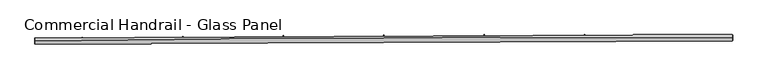
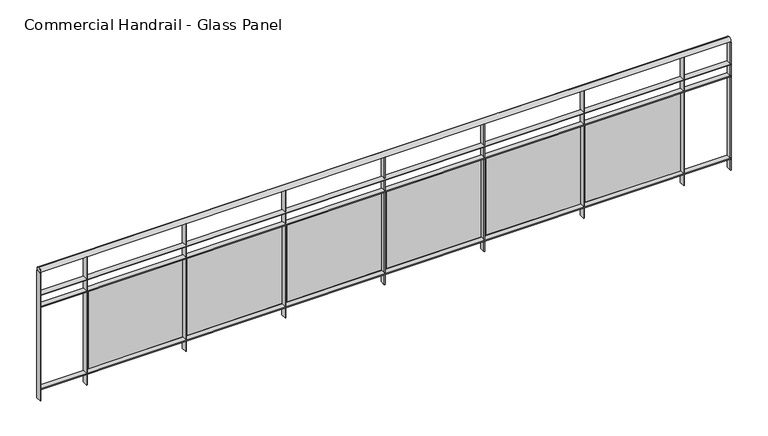
"""IFC4 building model written with IfcOpenShell, lengths in millimetres: railing geometry, Commercial Handrail - Glass Panel."""

from ifc_helpers import new_model, si_unit, point, frame, origin, place, context, project, spatial, polyline, circle_curve, ellipse_curve, trimmed, outline, extrude, source, transform, mapped, element, save
from ifc_brep_helpers import plane_surface, cylinder_surface, revolved_surface, advanced_brep


def commercial_handrail_glass_panel_155662b4(model_context):
    return source(origin(), model_context, "Body", "SolidModel", [
        advanced_brep(
        [(99695.5207842, -31501.488128, 9482.5), (105244.6880932, -31476.3541341, 9482.5), (105244.6880932, -31476.3541341, 9517.5), (99695.5207842, -31501.488128, 9517.5)],
        [
            (0, 1, circle_curve(frame((103958.1605732, -360026.9365691, 9482.5), z_axis=(0.0, 0.0, -1.0), x_axis=(0.003915736953513462, 0.9999923334726676, 0.0)), 328553.1012963)),
            (1, 2, ellipse_curve(frame((105244.6880932, -31476.3541341, 9500.0), z_axis=(-0.9999923334726678, 0.003915736953507025, 0.0), x_axis=(0.003915736953507024, 0.9999923334726676, 0.0)), 25.0, 17.5)),
            (2, 3, circle_curve(frame((103958.1605732, -360026.9365691, 9517.5), z_axis=(0.0, 0.0, 1.0), x_axis=(0.003915736953513462, 0.9999923334726676, 0.0)), 328553.1012963)),
            (3, 0, ellipse_curve(frame((99695.5207842, -31501.488128, 9500.0), z_axis=(0.9999158344417998, 0.012973975202676357, 0.0), x_axis=(-0.012973975202676354, 0.9999158344417995, 0.0)), 25.0, 17.5)),
            (2, 1, ellipse_curve(frame((105244.6880932, -31476.3541341, 9500.0), z_axis=(-0.9999923334726678, 0.003915736953507025, 0.0), x_axis=(0.003915736953507024, 0.9999923334726676, 0.0)), 25.0, 17.5)),
            (0, 3, ellipse_curve(frame((99695.5207842, -31501.488128, 9500.0), z_axis=(0.9999158344417998, 0.012973975202676357, 0.0), x_axis=(-0.012973975202676354, 0.9999158344417995, 0.0)), 25.0, 17.5)),
        ],
        [
            revolved_surface(trimmed(ellipse_curve(frame((105244.6880932, -31476.3541341, 9500.0), z_axis=(0.9999923334726676, -0.003915736953513463, 0.0), x_axis=(0.0, 0.0, -1.0)), 17.5, 25.0), [point((105244.6880932, -31476.3541341, 9517.5))], [point((105244.6880932, -31476.3541341, 9482.5))], True, "CARTESIAN"), (103958.1605732, -360026.9365691, 9500.0), (0.0, 0.0, 1.0)),
            revolved_surface(trimmed(ellipse_curve(frame((105244.6880932, -31476.3541341, 9500.0), z_axis=(0.9999923334726676, -0.003915736953513463, 0.0), x_axis=(0.0, 0.0, -1.0)), 17.5, 25.0), [point((105244.6880932, -31476.3541341, 9482.5))], [point((105244.6880932, -31476.3541341, 9517.5))], True, "CARTESIAN"), (103958.1605732, -360026.9365691, 9500.0), (0.0, 0.0, 1.0)),
            plane_surface(frame((105244.6880932, -31476.3541341, 9500.0), z_axis=(0.9999923334726677, -0.003915736953513464, 0.0), x_axis=(0.003915736953513464, 0.9999923334726677, 0.0))),
            plane_surface(frame((99695.5207842, -31501.488128, 9500.0), z_axis=(-0.9999158344417997, -0.012973975202676328, 0.0), x_axis=(0.012973975202676328, -0.9999158344417997, 0.0))),
        ],
        [
            (0, [[1, 2, 3, 4]]),
            (1, [[-3, 5, -1, 6]]),
            (2, [[-2, -5]]),
            (3, [[-6, -4]]),
        ],
    ),
        advanced_brep(
        [(99695.8126987, -31523.9862342, 9300.0), (105244.5999891, -31498.8539616, 9300.0), (105244.7761972, -31453.8543066, 9300.0), (99695.2288698, -31478.9900217, 9300.0), (99695.8126987, -31523.9862342, 9294.0), (105244.5999891, -31498.8539616, 9294.0), (99695.2288698, -31478.9900217, 9294.0), (105244.7761972, -31453.8543066, 9294.0)],
        [
            (0, 1, circle_curve(frame((103958.1605732, -360026.9365691, 9300.0), z_axis=(0.0, 0.0, -1.0), x_axis=(0.003915736953513462, 0.9999923334726676, 0.0)), 328530.6012963)),
            (1, 2),
            (2, 3, circle_curve(frame((103958.1605732, -360026.9365691, 9300.0), z_axis=(0.0, 0.0, 1.0), x_axis=(0.003915736953513462, 0.9999923334726676, 0.0)), 328575.6012963)),
            (3, 0),
            (4, 5, circle_curve(frame((103958.1605732, -360026.9365691, 9294.0), z_axis=(0.0, 0.0, -1.0), x_axis=(0.003915736953513462, 0.9999923334726676, 0.0)), 328530.6012963)),
            (5, 1),
            (0, 4),
            (6, 7, circle_curve(frame((103958.1605732, -360026.9365691, 9294.0), z_axis=(0.0, 0.0, -1.0), x_axis=(0.003915736953513462, 0.9999923334726676, 0.0)), 328575.6012963)),
            (7, 5),
            (4, 6),
            (2, 7),
            (6, 3),
        ],
        [
            plane_surface(frame((103958.1605732, -360026.9365691, 9300.0), z_axis=(0.0, 0.0, 1.0000000000000002), x_axis=(0.003915736953513463, 0.9999923334726677, 0.0))),
            revolved_surface(polyline([(105244.59998905592, -31498.85396163439, 9300.0), (105244.59998905592, -31498.85396163439, 9294.0)]), (103958.1605732, -360026.9365691, 9300.0), (0.0, 0.0, 1.0)),
            plane_surface(frame((103958.1605732, -360026.9365691, 9294.0), z_axis=(0.0, 0.0, -1.0000000000000002), x_axis=(0.003915736953513463, 0.9999923334726677, 0.0))),
            cylinder_surface(frame((103958.1605732, -360026.9365691, 9300.0), z_axis=(0.0, 0.0, 1.0), x_axis=(0.003915736953513462, 0.9999923334726676, 0.0)), 328575.6012963),
            plane_surface(frame((105244.6880932, -31476.3541341, 9300.0), z_axis=(0.9999923334726677, -0.003915736953513464, 0.0), x_axis=(0.003915736953513464, 0.9999923334726677, 0.0))),
            plane_surface(frame((99695.5207842, -31501.488128, 9300.0), z_axis=(-0.9999158344417997, -0.012973975202676328, 0.0), x_axis=(0.012973975202676328, -0.9999158344417997, 0.0))),
        ],
        [
            (0, [[1, 2, 3, 4]]),
            (1, [[5, 6, -1, 7]]),
            (2, [[8, 9, -5, 10]]),
            (3, [[-3, 11, -8, 12]]),
            (4, [[-2, -6, -9, -11]]),
            (5, [[-12, -10, -7, -4]]),
        ],
    ),
        advanced_brep(
        [(99695.8126987, -31523.9862342, 9200.0), (105244.5999891, -31498.8539616, 9200.0), (105244.7761972, -31453.8543066, 9200.0), (99695.2288698, -31478.9900217, 9200.0), (99695.8126987, -31523.9862342, 9194.0), (105244.5999891, -31498.8539616, 9194.0), (99695.2288698, -31478.9900217, 9194.0), (105244.7761972, -31453.8543066, 9194.0)],
        [
            (0, 1, circle_curve(frame((103958.1605732, -360026.9365691, 9200.0), z_axis=(0.0, 0.0, -1.0), x_axis=(0.003915736953513462, 0.9999923334726676, 0.0)), 328530.6012963)),
            (1, 2),
            (2, 3, circle_curve(frame((103958.1605732, -360026.9365691, 9200.0), z_axis=(0.0, 0.0, 1.0), x_axis=(0.003915736953513462, 0.9999923334726676, 0.0)), 328575.6012963)),
            (3, 0),
            (4, 5, circle_curve(frame((103958.1605732, -360026.9365691, 9194.0), z_axis=(0.0, 0.0, -1.0), x_axis=(0.003915736953513462, 0.9999923334726676, 0.0)), 328530.6012963)),
            (5, 1),
            (0, 4),
            (6, 7, circle_curve(frame((103958.1605732, -360026.9365691, 9194.0), z_axis=(0.0, 0.0, -1.0), x_axis=(0.003915736953513462, 0.9999923334726676, 0.0)), 328575.6012963)),
            (7, 5),
            (4, 6),
            (2, 7),
            (6, 3),
        ],
        [
            plane_surface(frame((103958.1605732, -360026.9365691, 9200.0), z_axis=(0.0, 0.0, 1.0000000000000002), x_axis=(0.003915736953513463, 0.9999923334726677, 0.0))),
            revolved_surface(polyline([(105244.59998905592, -31498.85396163439, 9200.0), (105244.59998905592, -31498.85396163439, 9194.0)]), (103958.1605732, -360026.9365691, 9200.0), (0.0, 0.0, 1.0)),
            plane_surface(frame((103958.1605732, -360026.9365691, 9194.0), z_axis=(0.0, 0.0, -1.0000000000000002), x_axis=(0.003915736953513463, 0.9999923334726677, 0.0))),
            cylinder_surface(frame((103958.1605732, -360026.9365691, 9200.0), z_axis=(0.0, 0.0, 1.0), x_axis=(0.003915736953513462, 0.9999923334726676, 0.0)), 328575.6012963),
            plane_surface(frame((105244.6880932, -31476.3541341, 9200.0), z_axis=(0.9999923334726677, -0.003915736953513464, 0.0), x_axis=(0.003915736953513464, 0.9999923334726677, 0.0))),
            plane_surface(frame((99695.5207842, -31501.488128, 9200.0), z_axis=(-0.9999158344417997, -0.012973975202676328, 0.0), x_axis=(0.012973975202676328, -0.9999158344417997, 0.0))),
        ],
        [
            (0, [[1, 2, 3, 4]]),
            (1, [[5, 6, -1, 7]]),
            (2, [[8, 9, -5, 10]]),
            (3, [[-3, 11, -8, 12]]),
            (4, [[-2, -6, -9, -11]]),
            (5, [[-12, -10, -7, -4]]),
        ],
    ),
        advanced_brep(
        [(99695.8126987, -31523.9862342, 8500.0), (105244.5999891, -31498.8539616, 8500.0), (105244.7761972, -31453.8543066, 8500.0), (99695.2288698, -31478.9900217, 8500.0), (99695.8126987, -31523.9862342, 8494.0), (105244.5999891, -31498.8539616, 8494.0), (99695.2288698, -31478.9900217, 8494.0), (105244.7761972, -31453.8543066, 8494.0)],
        [
            (0, 1, circle_curve(frame((103958.1605732, -360026.9365691, 8500.0), z_axis=(0.0, 0.0, -1.0), x_axis=(0.003915736953513462, 0.9999923334726676, 0.0)), 328530.6012963)),
            (1, 2),
            (2, 3, circle_curve(frame((103958.1605732, -360026.9365691, 8500.0), z_axis=(0.0, 0.0, 1.0), x_axis=(0.003915736953513462, 0.9999923334726676, 0.0)), 328575.6012963)),
            (3, 0),
            (4, 5, circle_curve(frame((103958.1605732, -360026.9365691, 8494.0), z_axis=(0.0, 0.0, -1.0), x_axis=(0.003915736953513462, 0.9999923334726676, 0.0)), 328530.6012963)),
            (5, 1),
            (0, 4),
            (6, 7, circle_curve(frame((103958.1605732, -360026.9365691, 8494.0), z_axis=(0.0, 0.0, -1.0), x_axis=(0.003915736953513462, 0.9999923334726676, 0.0)), 328575.6012963)),
            (7, 5),
            (4, 6),
            (2, 7),
            (6, 3),
        ],
        [
            plane_surface(frame((103958.1605732, -360026.9365691, 8500.0), z_axis=(0.0, 0.0, 1.0000000000000002), x_axis=(0.003915736953513463, 0.9999923334726677, 0.0))),
            revolved_surface(polyline([(105244.59998905592, -31498.85396163439, 8500.0), (105244.59998905592, -31498.85396163439, 8494.0)]), (103958.1605732, -360026.9365691, 8500.0), (0.0, 0.0, 1.0)),
            plane_surface(frame((103958.1605732, -360026.9365691, 8494.0), z_axis=(0.0, 0.0, -1.0000000000000002), x_axis=(0.003915736953513463, 0.9999923334726677, 0.0))),
            cylinder_surface(frame((103958.1605732, -360026.9365691, 8500.0), z_axis=(0.0, 0.0, 1.0), x_axis=(0.003915736953513462, 0.9999923334726676, 0.0)), 328575.6012963),
            plane_surface(frame((105244.6880932, -31476.3541341, 8500.0), z_axis=(0.9999923334726677, -0.003915736953513464, 0.0), x_axis=(0.003915736953513464, 0.9999923334726677, 0.0))),
            plane_surface(frame((99695.5207842, -31501.488128, 8500.0), z_axis=(-0.9999158344417997, -0.012973975202676328, 0.0), x_axis=(0.012973975202676328, -0.9999158344417997, 0.0))),
        ],
        [
            (0, [[1, 2, 3, 4]]),
            (1, [[5, 6, -1, 7]]),
            (2, [[8, 9, -5, 10]]),
            (3, [[-3, 11, -8, 12]]),
            (4, [[-2, -6, -9, -11]]),
            (5, [[-12, -10, -7, -4]]),
        ],
    ),
        extrude(outline(polyline([(100072.870567, -31474.3071506), (100073.4030869, -31519.3039996), (100067.403507, -31519.3750023), (100066.8709872, -31474.3781533), (100072.870567, -31474.3071506)])), frame((0.0, 0.0, 8400.0), z_axis=(0.0, 0.0, 1.0), x_axis=(1.0, 0.0, 0.0)), (0.0, 0.0, 1.0), 1082.1192282),
        extrude(outline(polyline([(100850.1540943, -31494.3164749), (100090.1969245, -31502.3849334), (100090.0695278, -31490.3856097), (100850.0266976, -31482.3171512), (100850.1540943, -31494.3164749)])), frame((0.0, 0.0, 8520.0), z_axis=(0.0, 0.0, 1.0), x_axis=(1.0, 0.0, 0.0)), (0.0, 0.0, 1.0), 660.0),
        extrude(outline(polyline([(100872.8801451, -31465.8207612), (100873.3030999, -31510.8187735), (100867.3033649, -31510.8751675), (100866.8804102, -31465.8771552), (100872.8801451, -31465.8207612)])), frame((0.0, 0.0, 8400.0), z_axis=(0.0, 0.0, 1.0), x_axis=(1.0, 0.0, 0.0)), (0.0, 0.0, 1.0), 1082.1192282),
        extrude(outline(polyline([(101650.1126472, -31487.7226463), (100890.1380842, -31493.940649), (100890.0399052, -31481.9410507), (101650.0144682, -31475.723048), (101650.1126472, -31487.7226463)])), frame((0.0, 0.0, 8520.0), z_axis=(0.0, 0.0, 1.0), x_axis=(1.0, 0.0, 0.0)), (0.0, 0.0, 1.0), 660.0),
        extrude(outline(polyline([(101672.9080153, -31459.2823531), (101673.2214025, -31504.2812619), (101667.221548, -31504.3230468), (101666.9081608, -31459.3241381), (101672.9080153, -31459.2823531)])), frame((0.0, 0.0, 8400.0), z_axis=(0.0, 0.0, 1.0), x_axis=(1.0, 0.0, 0.0)), (0.0, 0.0, 1.0), 1082.1192282),
        extrude(outline(polyline([(102450.0848841, -31483.0766692), (101690.0974336, -31487.4441792), (101690.028473, -31475.4443774), (102450.0159234, -31471.0768673), (102450.0848841, -31483.0766692)])), frame((0.0, 0.0, 8520.0), z_axis=(0.0, 0.0, 1.0), x_axis=(1.0, 0.0, 0.0)), (0.0, 0.0, 1.0), 660.0),
        extrude(outline(polyline([(102472.9494344, -31454.6919651), (102473.153252, -31499.6915035), (102467.1533136, -31499.7186792), (102466.9494959, -31454.7191408), (102472.9494344, -31454.6919651)])), frame((0.0, 0.0, 8400.0), z_axis=(0.0, 0.0, 1.0), x_axis=(1.0, 0.0, 0.0)), (0.0, 0.0, 1.0), 1082.1192282),
        extrude(outline(polyline([(103250.0660621, -31480.378571), (102490.0702301, -31482.8955625), (102490.0304881, -31470.8956283), (103250.0263202, -31468.3786368), (103250.0660621, -31480.378571)])), frame((0.0, 0.0, 8520.0), z_axis=(0.0, 0.0, 1.0), x_axis=(1.0, 0.0, 0.0)), (0.0, 0.0, 1.0), 660.0),
        extrude(outline(polyline([(103272.999659, -31452.0496243), (103273.0939059, -31497.0495257), (103267.0939191, -31497.0620919), (103266.9996722, -31452.0621906), (103272.999659, -31452.0496243)])), frame((0.0, 0.0, 8400.0), z_axis=(0.0, 0.0, 1.0), x_axis=(1.0, 0.0, 0.0)), (0.0, 0.0, 1.0), 1082.1192282),
        extrude(outline(polyline([(104050.0514383, -31479.6283679), (103290.0517305, -31480.2948258), (103290.0412075, -31468.2948304), (104050.0409153, -31467.6283725), (104050.0514383, -31479.6283679)])), frame((0.0, 0.0, 8520.0), z_axis=(0.0, 0.0, 1.0), x_axis=(1.0, 0.0, 0.0)), (0.0, 0.0, 1.0), 660.0),
        extrude(outline(polyline([(104073.0539458, -31451.3553465), (104073.0386215, -31496.3553439), (104067.0386218, -31496.3533007), (104067.0539462, -31451.3533033), (104073.0539458, -31451.3553465)])), frame((0.0, 0.0, 8400.0), z_axis=(0.0, 0.0, 1.0), x_axis=(1.0, 0.0, 0.0)), (0.0, 0.0, 1.0), 1082.1192282),
        extrude(outline(polyline([(104850.0362697, -31480.8260641), (104090.0371921, -31479.6419846), (104090.0558881, -31467.6419992), (104850.0549657, -31468.8260787), (104850.0362697, -31480.8260641)])), frame((0.0, 0.0, 8520.0), z_axis=(0.0, 0.0, 1.0), x_axis=(1.0, 0.0, 0.0)), (0.0, 0.0, 1.0), 660.0),
        extrude(outline(polyline([(104873.1075514, -31452.6091358), (104872.9826559, -31497.6089625), (104866.9826791, -31497.5923097), (104867.1075746, -31452.592483), (104873.1075514, -31452.6091358)])), frame((0.0, 0.0, 8400.0), z_axis=(0.0, 0.0, 1.0), x_axis=(1.0, 0.0, 0.0)), (0.0, 0.0, 1.0), 1082.1192282),
        extrude(outline(polyline([(99698.2286173, -31478.9510998), (99698.8124462, -31523.9473123), (99692.8129512, -31524.0251562), (99692.2291223, -31479.0289436), (99698.2286173, -31478.9510998)])), frame((0.0, 0.0, 8400.0), z_axis=(0.0, 0.0, 1.0), x_axis=(1.0, 0.0, 0.0)), (0.0, 0.0, 1.0), 1082.1192282),
        extrude(outline(polyline([(105247.7761742, -31453.8660538), (105247.5999661, -31498.8657088), (105241.6000121, -31498.8422144), (105241.7762202, -31453.8425594), (105247.7761742, -31453.8660538)])), frame((0.0, 0.0, 8400.0), z_axis=(0.0, 0.0, 1.0), x_axis=(1.0, 0.0, 0.0)), (0.0, 0.0, 1.0), 1082.1192282),
    ])


if __name__ == "__main__":
    model = new_model("IFC4")
    model_context = context("Model", 3, world=origin())
    ifc_project = project(units=[si_unit("LENGTHUNIT", "METRE", prefix="MILLI")], contexts=[model_context])
    site = spatial("IfcSite", under=ifc_project)
    building = spatial("IfcBuilding", under=site)
    placement = place(None, origin())
    commercial_handrail_glass_panel_shape = commercial_handrail_glass_panel_155662b4(model_context)
    element("IfcRailing", 1, ObjectType="Commercial Handrail - Glass Panel", at=placement, inside=building, context=model_context, shape_type="MappedRepresentation", body=[
        mapped(commercial_handrail_glass_panel_shape, transform((0.0, 0.0, 0.0), x_axis=(1.0, 0.0, 0.0), y_axis=(0.0, 1.0, 0.0), z_axis=(0.0, 0.0, 1.0))),
    ])
    save(model, "model.ifc")
